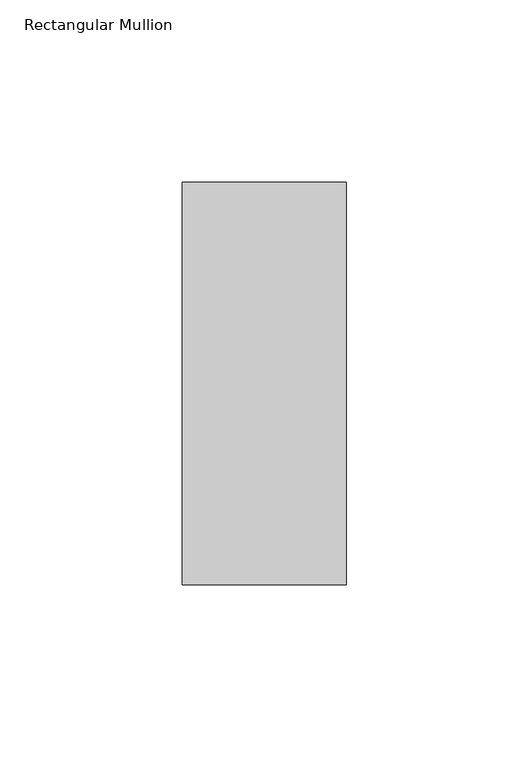
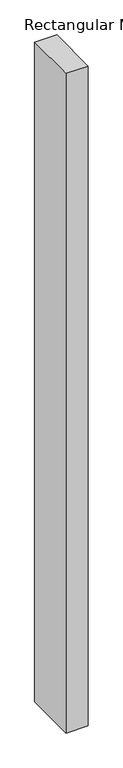
"""IFC4 building model written with IfcOpenShell, lengths in millimetres: member geometry, Rectangular Mullion."""

from ifc_helpers import new_model, si_unit, frame, origin, place, context, project, spatial, polyline, outline, extrude, source, transform, mapped, element, save


def rectangular_mullion_37cc36f5(model_context):
    return source(origin(), model_context, "Body", "SweptSolid", [
        extrude(outline(polyline([(0.0, 70.7), (0.0, -39.7), (-45.0, -39.7), (-45.0, 70.7), (0.0, 70.7)])), frame((0.0, 0.0, -1419.3589259), z_axis=(0.0, 0.0, 1.0), x_axis=(1.0, 0.0, 0.0)), (0.0, 0.0, 1.0), 1419.3589259),
    ])


if __name__ == "__main__":
    model = new_model("IFC4")
    model_context = context("Model", 3, world=origin())
    ifc_project = project(units=[si_unit("LENGTHUNIT", "METRE", prefix="MILLI")], contexts=[model_context])
    site = spatial("IfcSite", under=ifc_project)
    building = spatial("IfcBuilding", under=site)
    placement = place(None, origin())
    rectangular_mullion_shape = rectangular_mullion_37cc36f5(model_context)
    element("IfcMember", 1, ObjectType="Rectangular Mullion", at=placement, inside=building, context=model_context, shape_type="MappedRepresentation", body=[
        mapped(rectangular_mullion_shape, transform((0.0, 0.0, 0.0), x_axis=(1.0, 0.0, 0.0), y_axis=(0.0, 1.0, 0.0), z_axis=(0.0, 0.0, 1.0))),
    ])
    save(model, "model.ifc")
